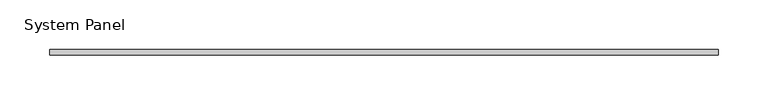
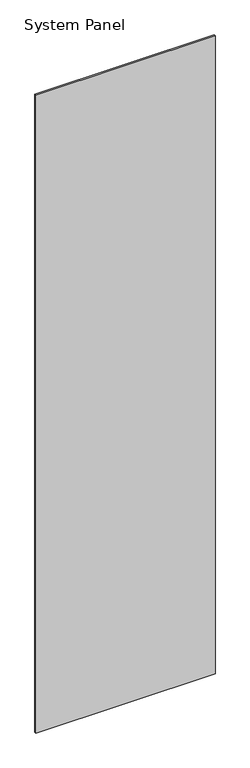
"""IFC4 building model written with IfcOpenShell, lengths in millimetres: plate geometry, System Panel."""

from ifc_helpers import new_model, si_unit, origin, origin_with_axes, place, context, project, spatial, polyline, outline, extrude, source, transform, mapped, element, save


def system_panel_c0434e68(model_context):
    return source(origin(), model_context, "Body", "SweptSolid", [
        extrude(outline(polyline([(337.5, -3.0), (-337.5, -3.0), (-337.5, 3.0), (337.5, 3.0), (337.5, -3.0)])), origin_with_axes(), (0.0, 0.0, 1.0), 2540.0),
    ])


if __name__ == "__main__":
    model = new_model("IFC4")
    model_context = context("Model", 3, world=origin())
    ifc_project = project(units=[si_unit("LENGTHUNIT", "METRE", prefix="MILLI")], contexts=[model_context])
    site = spatial("IfcSite", under=ifc_project)
    building = spatial("IfcBuilding", under=site)
    placement = place(None, origin())
    system_panel_shape = system_panel_c0434e68(model_context)
    element("IfcPlate", 1, ObjectType="System Panel", at=placement, inside=building, context=model_context, shape_type="MappedRepresentation", body=[
        mapped(system_panel_shape, transform((0.0, 0.0, 0.0), x_axis=(1.0, 0.0, 0.0), y_axis=(0.0, 1.0, 0.0), z_axis=(0.0, 0.0, 1.0))),
    ])
    save(model, "model.ifc")
